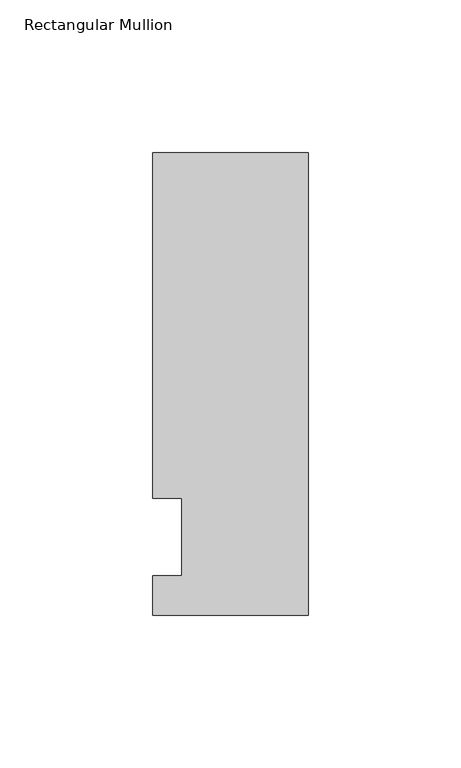
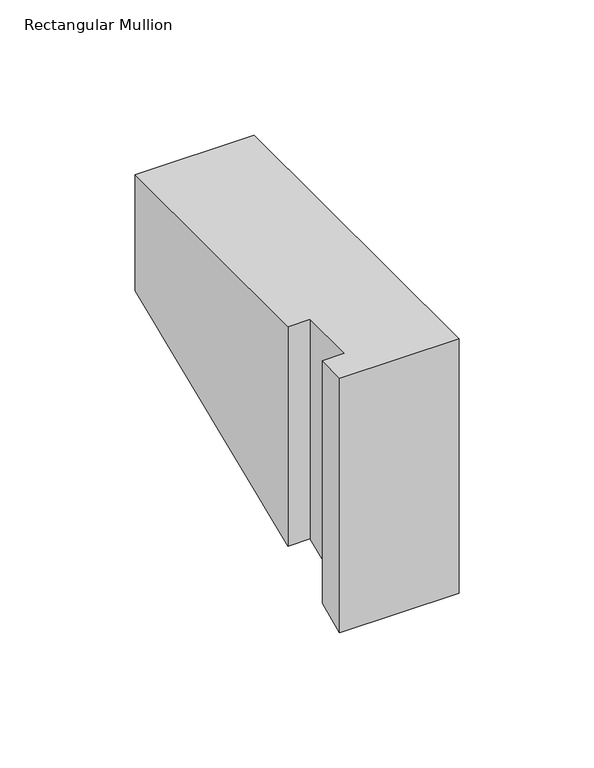
"""IFC4 building model written with IfcOpenShell, lengths in millimetres: member geometry, Rectangular Mullion."""

from ifc_helpers import new_model, si_unit, origin, place, context, project, spatial, faceted_brep, source, transform, mapped, element, save


def rectangular_mullion_09ef3e0c(model_context):
    return source(origin(), model_context, "Body", "Brep", [
        faceted_brep([(-50.8, -25.5984375, 0.0), (0.0, -25.5984375, 0.0), (0.0, 125.6109375, 0.0), (-50.8, 125.6109375, 0.0), (-50.8, 12.7, 0.0), (-41.275, 12.7, 0.0), (-41.275, -12.7, 0.0), (-50.8, -12.7, 0.0), (-50.8, -25.5984375, -114.8413811), (0.0, -25.5984375, -114.8413811), (0.0, 125.6109375, -52.2084072), (-50.8, 125.6109375, -52.2084072), (-50.8, 12.7, -98.9776488), (-41.275, 12.7, -98.9776488), (-41.275, -12.7, -109.4986733), (-50.8, -12.7, -109.4986733)], [[[0, 1, 2, 3, 4, 5, 6, 7]], [[1, 0, 8, 9]], [[2, 1, 9, 10]], [[3, 2, 10, 11]], [[4, 3, 11, 12]], [[5, 4, 12, 13]], [[6, 5, 13, 14]], [[7, 6, 14, 15]], [[0, 7, 15, 8]], [[8, 15, 14, 13, 12, 11, 10, 9]]]),
    ])


if __name__ == "__main__":
    model = new_model("IFC4")
    model_context = context("Model", 3, world=origin())
    ifc_project = project(units=[si_unit("LENGTHUNIT", "METRE", prefix="MILLI")], contexts=[model_context])
    site = spatial("IfcSite", under=ifc_project)
    building = spatial("IfcBuilding", under=site)
    placement = place(None, origin())
    rectangular_mullion_shape = rectangular_mullion_09ef3e0c(model_context)
    element("IfcMember", 1, ObjectType="Rectangular Mullion", at=placement, inside=building, context=model_context, shape_type="MappedRepresentation", body=[
        mapped(rectangular_mullion_shape, transform((0.0, 0.0, 0.0), x_axis=(1.0, 0.0, 0.0), y_axis=(0.0, 1.0, 0.0), z_axis=(0.0, 0.0, 1.0))),
    ])
    save(model, "model.ifc")
